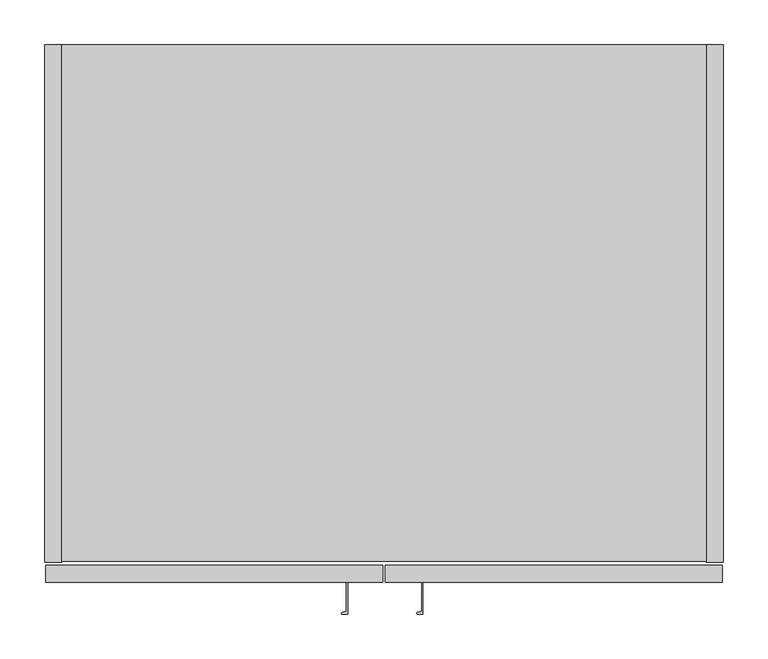
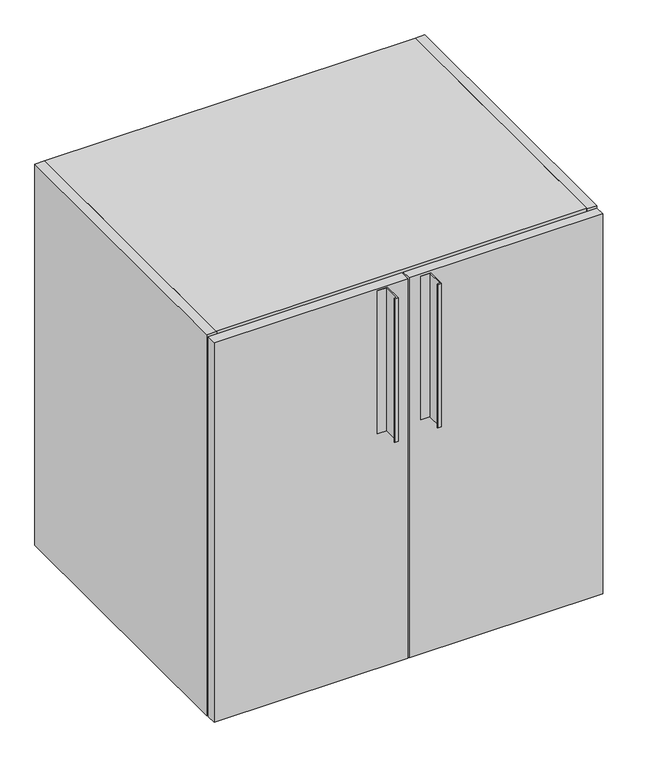
"""IFC4 building model written with IfcOpenShell, lengths in millimetres: furniture geometry."""

from ifc_helpers import new_model, si_unit, point, frame, frame_2d, origin, place, context, project, spatial, polyline, circle_curve, trimmed, segment, composite_curve, outline, extrude, source, transform, mapped, element, save


def furniture_7f1f4032(model_context):
    return source(origin(), model_context, "Body", "SweptSolid", [
        extrude(outline(composite_curve([segment(polyline([(340.2713631, -601.4135617), (340.2713631, -639.4135617), (334.2713631, -639.4135617)]), True, "CONTINUOUS"), segment(trimmed(circle_curve(frame_2d((334.2713631, -638.4135617)), 1.0), [point((334.2713631, -639.4135617))], [point((334.012544, -637.4476358))], False, "CARTESIAN"), True, "CONTINUOUS"), segment(polyline([(334.012544, -637.4476358), (338.7713631, -636.1725141), (338.7713631, -603.504), (320.7713631, -603.504), (320.7713631, -601.4135617), (340.2713631, -601.4135617)]), True, "CONTINUOUS")], self_intersect=False)), frame((0.0, 0.0, 585.4192), z_axis=(0.0, 0.0, 1.0), x_axis=(1.0, 0.0, 0.0)), (0.0, 0.0, 1.0), 296.0116),
        extrude(outline(composite_curve([segment(polyline([(424.7263631, -601.4135617), (424.7263631, -639.4135617), (418.7263631, -639.4135617)]), True, "CONTINUOUS"), segment(trimmed(circle_curve(frame_2d((418.7263631, -638.4135617)), 1.0), [point((418.7263631, -639.4135617))], [point((418.467544, -637.4476358))], False, "CARTESIAN"), True, "CONTINUOUS"), segment(polyline([(418.467544, -637.4476358), (423.2263631, -636.1725141), (423.2263631, -603.504), (405.2263631, -603.504), (405.2263631, -601.4135617), (424.7263631, -601.4135617)]), True, "CONTINUOUS")], self_intersect=False)), frame((0.0, 0.0, 585.4192), z_axis=(0.0, 0.0, 1.0), x_axis=(1.0, 0.0, 0.0)), (0.0, 0.0, 1.0), 296.0116),
        extrude(outline(polyline([(742.696, 0.0), (742.696, -19.304), (19.304, -19.304), (19.304, 0.0), (742.696, 0.0)])), frame((0.0, 0.0, 120.904), z_axis=(0.0, 0.0, 1.0), x_axis=(1.0, 0.0, 0.0)), (0.0, 0.0, 1.0), 748.792),
        extrude(outline(polyline([(742.696, -580.0344), (19.304, -580.0344), (19.304, 0.0), (742.696, 0.0), (742.696, -580.0344)])), frame((0.0, 0.0, 869.696), z_axis=(0.0, 0.0, 1.0), x_axis=(1.0, 0.0, 0.0)), (0.0, 0.0, 1.0), 19.304),
        extrude(outline(polyline([(19.304, 0.0), (19.304, -581.025), (0.0, -581.025), (0.0, 0.0), (19.304, 0.0)])), frame((0.0, 0.0, 101.6), z_axis=(0.0, 0.0, 1.0), x_axis=(1.0, 0.0, 0.0)), (0.0, 0.0, 1.0), 787.4),
        extrude(outline(polyline([(742.696, 0.0), (762.0, 0.0), (762.0, -581.025), (742.696, -581.025), (742.696, 0.0)])), frame((0.0, 0.0, 101.6), z_axis=(0.0, 0.0, 1.0), x_axis=(1.0, 0.0, 0.0)), (0.0, 0.0, 1.0), 787.4),
        extrude(outline(polyline([(742.696, 0.0), (742.696, -580.0344), (19.304, -580.0344), (19.304, 0.0), (742.696, 0.0)])), frame((0.0, 0.0, 101.6), z_axis=(0.0, 0.0, 1.0), x_axis=(1.0, 0.0, 0.0)), (0.0, 0.0, 1.0), 19.304),
        extrude(outline(polyline([(760.4125, -603.504), (382.5875, -603.504), (382.5875, -584.2), (760.4125, -584.2), (760.4125, -603.504)])), frame((0.0, 0.0, 101.6), z_axis=(0.0, 0.0, 1.0), x_axis=(1.0, 0.0, 0.0)), (0.0, 0.0, 1.0), 784.225),
        extrude(outline(polyline([(379.4125, -603.504), (1.5875, -603.504), (1.5875, -584.2), (379.4125, -584.2), (379.4125, -603.504)])), frame((0.0, 0.0, 101.6), z_axis=(0.0, 0.0, 1.0), x_axis=(1.0, 0.0, 0.0)), (0.0, 0.0, 1.0), 784.225),
    ])


if __name__ == "__main__":
    model = new_model("IFC4")
    model_context = context("Model", 3, world=origin())
    ifc_project = project(units=[si_unit("LENGTHUNIT", "METRE", prefix="MILLI")], contexts=[model_context])
    site = spatial("IfcSite", under=ifc_project)
    building = spatial("IfcBuilding", under=site)
    placement = place(None, origin())
    furniture_shape = furniture_7f1f4032(model_context)
    element("IfcFurniture", 1, at=placement, inside=building, context=model_context, shape_type="MappedRepresentation", body=[
        mapped(furniture_shape, transform((0.0, 0.0, 0.0), x_axis=(1.0, 0.0, 0.0), y_axis=(0.0, 1.0, 0.0), z_axis=(0.0, 0.0, 1.0))),
    ])
    save(model, "model.ifc")
